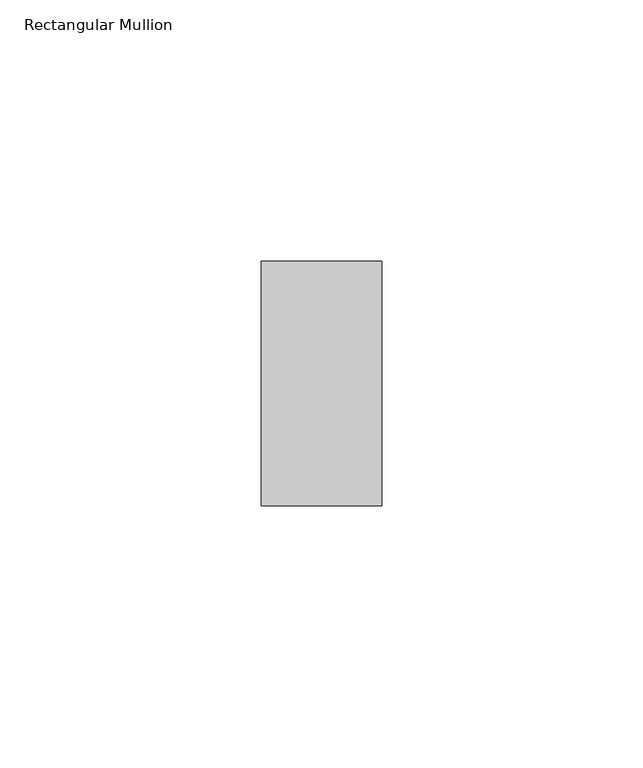
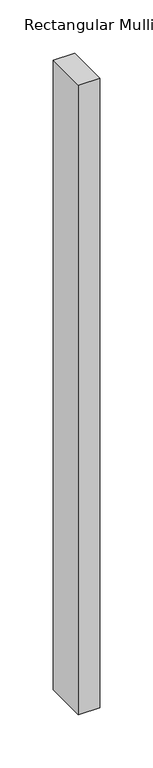
"""IFC4 building model written with IfcOpenShell, lengths in millimetres: member geometry, Rectangular Mullion."""

from ifc_helpers import new_model, si_unit, frame, origin, place, context, project, spatial, polyline, outline, extrude, source, transform, mapped, element, save


def rectangular_mullion_edf5ef8e(model_context):
    return source(origin(), model_context, "Body", "SweptSolid", [
        extrude(outline(polyline([(0.0, -23.4), (-23.0, -23.4), (-23.0, 23.4), (0.0, 23.4), (0.0, -23.4)])), frame((0.0, 0.0, -720.0), z_axis=(0.0, 0.0, 1.0), x_axis=(1.0, 0.0, 0.0)), (0.0, 0.0, 1.0), 720.0),
    ])


if __name__ == "__main__":
    model = new_model("IFC4")
    model_context = context("Model", 3, world=origin())
    ifc_project = project(units=[si_unit("LENGTHUNIT", "METRE", prefix="MILLI")], contexts=[model_context])
    site = spatial("IfcSite", under=ifc_project)
    building = spatial("IfcBuilding", under=site)
    placement = place(None, origin())
    rectangular_mullion_shape = rectangular_mullion_edf5ef8e(model_context)
    element("IfcMember", 1, ObjectType="Rectangular Mullion", at=placement, inside=building, context=model_context, shape_type="MappedRepresentation", body=[
        mapped(rectangular_mullion_shape, transform((0.0, 0.0, 0.0), x_axis=(1.0, 0.0, 0.0), y_axis=(0.0, 1.0, 0.0), z_axis=(0.0, 0.0, 1.0))),
    ])
    save(model, "model.ifc")
